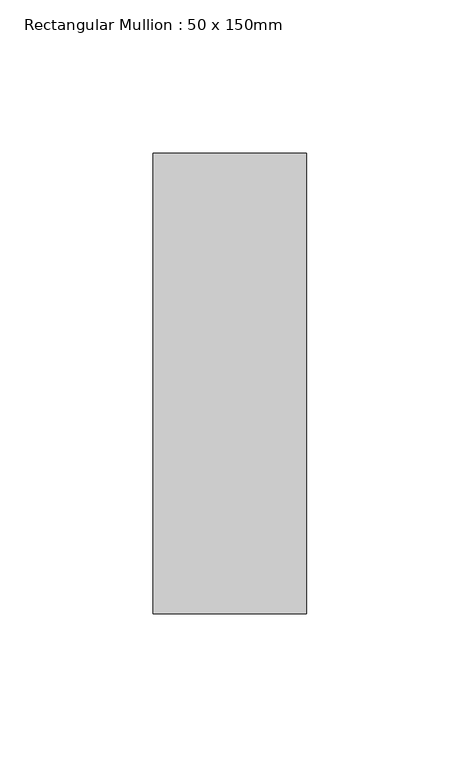
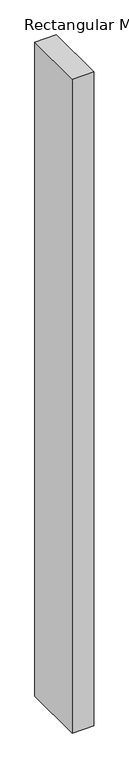
"""IFC4 building model written with IfcOpenShell, lengths in millimetres: member geometry, Rectangular Mullion : 50 x 150mm."""

from ifc_helpers import new_model, si_unit, frame, origin, place, context, project, spatial, polyline, outline, extrude, source, transform, mapped, element, save


def rectangular_mullion_50_x_150mm_af743e6a(model_context):
    return source(origin(), model_context, "Body", "SweptSolid", [
        extrude(outline(polyline([(25.0, 75.0), (25.0, -75.0), (-25.0, -75.0), (-25.0, 75.0), (25.0, 75.0)])), frame((0.0, 0.0, -1609.0), z_axis=(0.0, 0.0, 1.0), x_axis=(1.0, 0.0, 0.0)), (0.0, 0.0, 1.0), 1609.0),
    ])


if __name__ == "__main__":
    model = new_model("IFC4")
    model_context = context("Model", 3, world=origin())
    ifc_project = project(units=[si_unit("LENGTHUNIT", "METRE", prefix="MILLI")], contexts=[model_context])
    site = spatial("IfcSite", under=ifc_project)
    building = spatial("IfcBuilding", under=site)
    placement = place(None, origin())
    rectangular_mullion_50_x_150mm_shape = rectangular_mullion_50_x_150mm_af743e6a(model_context)
    element("IfcMember", 1, ObjectType="Rectangular Mullion : 50 x 150mm", at=placement, inside=building, context=model_context, shape_type="MappedRepresentation", body=[
        mapped(rectangular_mullion_50_x_150mm_shape, transform((0.0, 0.0, 0.0), x_axis=(1.0, 0.0, 0.0), y_axis=(0.0, 1.0, 0.0), z_axis=(0.0, 0.0, 1.0))),
    ])
    save(model, "model.ifc")
